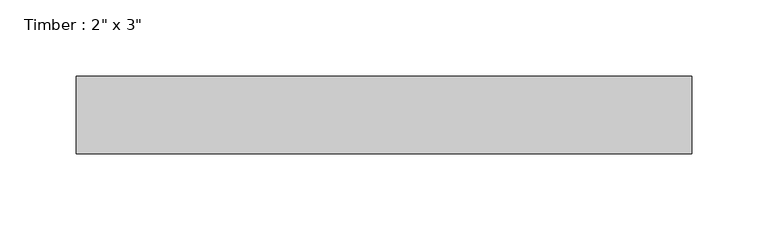
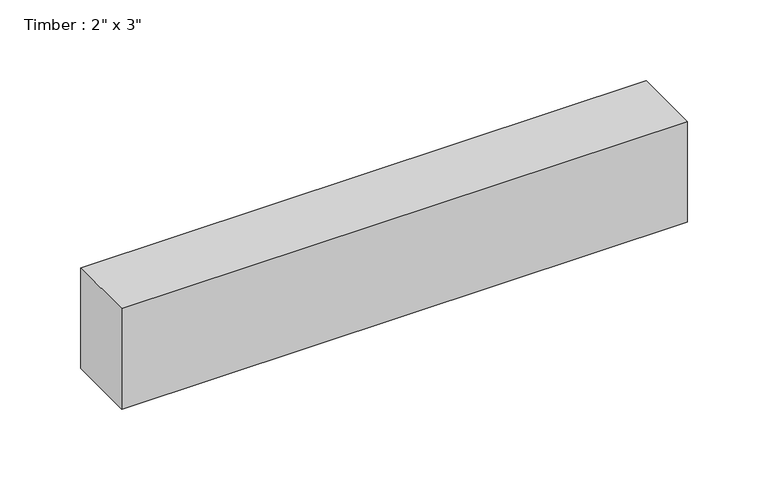
"""IFC4 building model written with IfcOpenShell, lengths in millimetres: beam geometry."""

from ifc_helpers import new_model, si_unit, frame, origin, place, context, project, spatial, polyline, outline, extrude, source, transform, mapped, element, save


def beam_f0400df2(model_context):
    return source(origin(), model_context, "Body", "SweptSolid", [
        extrude(outline(polyline([(201.9545532, 25.4), (201.9545532, -25.4), (-201.9545532, -25.4), (-201.9545532, 25.4), (201.9545532, 25.4)])), frame((0.0, 0.0, -38.1), z_axis=(0.0, 0.0, 1.0), x_axis=(1.0, 0.0, 0.0)), (0.0, 0.0, 1.0), 76.2),
    ])


if __name__ == "__main__":
    model = new_model("IFC4")
    model_context = context("Model", 3, world=origin())
    ifc_project = project(units=[si_unit("LENGTHUNIT", "METRE", prefix="MILLI")], contexts=[model_context])
    site = spatial("IfcSite", under=ifc_project)
    building = spatial("IfcBuilding", under=site)
    placement = place(None, origin())
    beam_shape = beam_f0400df2(model_context)
    element("IfcBeam", 1, ObjectType="Timber : 2\" x 3\"", at=placement, inside=building, context=model_context, shape_type="MappedRepresentation", body=[
        mapped(beam_shape, transform((0.0, 0.0, 0.0), x_axis=(1.0, 0.0, 0.0), y_axis=(0.0, 1.0, 0.0), z_axis=(0.0, 0.0, 1.0))),
    ])
    save(model, "model.ifc")
